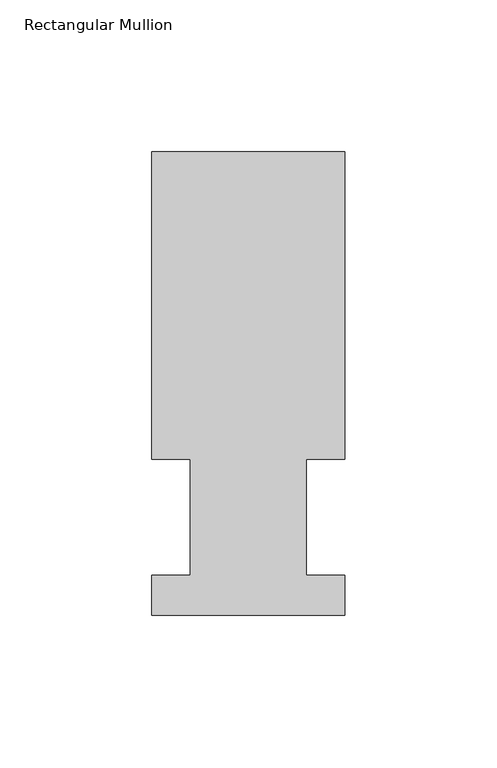
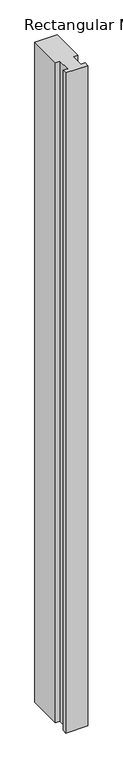
"""IFC4 building model written with IfcOpenShell, lengths in millimetres: member geometry, Rectangular Mullion."""

from ifc_helpers import new_model, si_unit, frame, origin, place, context, project, spatial, polyline, outline, extrude, source, transform, mapped, element, save


def rectangular_mullion_b5c0583e(model_context):
    return source(origin(), model_context, "Body", "SweptSolid", [
        extrude(outline(polyline([(31.75, 152.4896938), (31.75, 51.2960938), (19.05, 51.2960938), (19.05, 13.1960938), (31.75, 13.1960938), (31.75, 0.0134938), (-31.75, 0.0134938), (-31.75, 13.1960938), (-19.05, 13.1960938), (-19.05, 51.2960938), (-31.75, 51.2960938), (-31.75, 152.4896938), (31.75, 152.4896938)])), frame((0.0, 0.0, -1993.9000001), z_axis=(0.0, 0.0, 1.0), x_axis=(1.0, 0.0, 0.0)), (0.0, 0.0, 1.0), 1993.9000001),
    ])


if __name__ == "__main__":
    model = new_model("IFC4")
    model_context = context("Model", 3, world=origin())
    ifc_project = project(units=[si_unit("LENGTHUNIT", "METRE", prefix="MILLI")], contexts=[model_context])
    site = spatial("IfcSite", under=ifc_project)
    building = spatial("IfcBuilding", under=site)
    placement = place(None, origin())
    rectangular_mullion_shape = rectangular_mullion_b5c0583e(model_context)
    element("IfcMember", 1, ObjectType="Rectangular Mullion", at=placement, inside=building, context=model_context, shape_type="MappedRepresentation", body=[
        mapped(rectangular_mullion_shape, transform((0.0, 0.0, 0.0), x_axis=(1.0, 0.0, 0.0), y_axis=(0.0, 1.0, 0.0), z_axis=(0.0, 0.0, 1.0))),
    ])
    save(model, "model.ifc")
